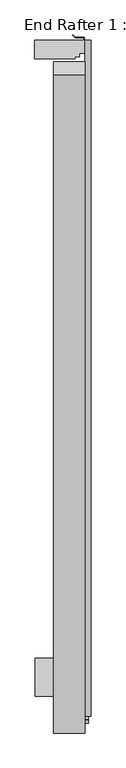
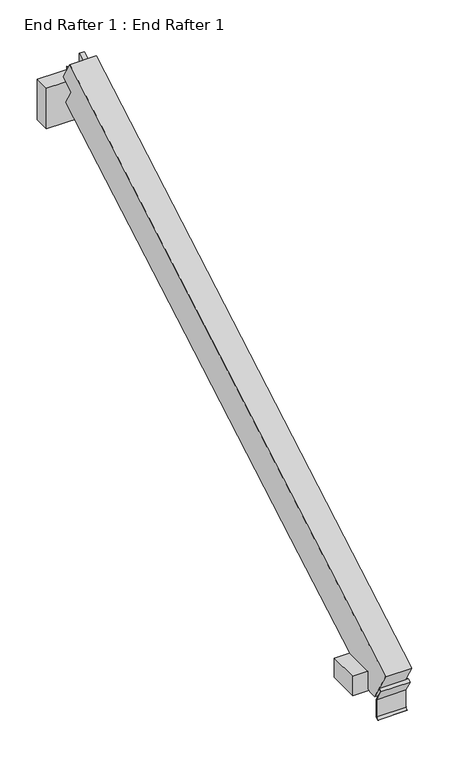
"""IFC4 building model written with IfcOpenShell, lengths in millimetres: proxy geometry, End Rafter 1 : End Rafter 1."""

from ifc_helpers import new_model, si_unit, frame, origin, place, context, project, spatial, polyline, outline, extrude, faceted_brep, source, transform, mapped, element, save


def end_rafter_1_end_rafter_1_6621b608(model_context):
    return source(origin(), model_context, "Body", "SolidModel", [
        extrude(outline(polyline([(522.8274159, 12100.4434206), (521.2399159, 12100.4434206), (521.2399159, 12113.9963379), (444.6430409, 12113.9963379), (435.6627847, 12122.976594), (436.7853168, 12124.099126), (445.3006049, 12115.5838379), (522.8274159, 12115.5838379), (522.8274159, 12100.4434206)])), frame((0.0, -14445.0258683, 0.0), z_axis=(0.0, 1.0, 0.0), x_axis=(0.0, 0.0, 1.0)), (0.0, 0.0, 1.0), 180.0877862),
        extrude(outline(polyline([(-14473.6651749, 577.004968), (-14484.6636975, 570.654968), (-14455.238276, 519.6886429), (-14455.238276, 444.4357266), (-14464.2185321, 435.4554705), (-14465.3410641, 436.5780025), (-14456.825776, 445.0932906), (-14456.825776, 519.2886736), (-14486.8212643, 571.2423834), (-14474.4589249, 578.3797834), (-14473.6651749, 577.004968)])), frame((11995.9020877, 0.0, 0.0), z_axis=(1.0, 0.0, 0.0), x_axis=(0.0, 1.0, 0.0)), (0.0, 0.0, 1.0), 119.5825314),
        faceted_brep([(12084.7339302, -12268.4917986, 1780.6647196), (12084.7339302, -12259.3421815, 1764.8171179), (11995.9020877, -12259.3421815, 1764.8171179), (11995.9020877, -12297.2770815, 1830.5222921), (12102.5305525, -12297.2770815, 1830.5222921), (12102.5305525, -12287.9178395, 1814.3116093), (12102.5305525, -12268.4917986, 1780.6647196), (12102.5305525, -14519.5119775, 656.4139595), (11995.9020877, -14519.5119775, 656.4139595), (11995.9020877, -14442.3857505, 522.8274159), (12084.7339302, -14442.3857505, 522.8274159), (12084.7339302, -14443.571792, 524.8816999), (12107.2129302, -14443.571792, 524.8816999), (12107.2129302, -14442.3857505, 522.8274159), (12123.0629078, -14442.3857505, 522.8274159), (12123.0629078, -14462.9978328, 558.5285896), (12102.5305525, -14462.9978328, 558.5285896), (12102.5305525, -12240.9206516, 1863.0596921), (12102.5305525, -12288.0755542, 1944.7343792), (12107.2129302, -14348.3407279, 551.4024159), (12123.0879302, -14348.3407279, 551.4024159), (12123.0729925, -14397.8340797, 522.8274159), (12107.2129302, -14397.8340797, 522.8274159), (12107.2129302, -14264.9380821, 599.5549559), (12107.2129302, -13849.8397399, 839.2120955), (12107.2129302, -13830.7897399, 850.2106181), (12107.2129302, -13805.3897399, 864.8753149), (12107.2129302, -13786.3397399, 875.8738376), (12107.2129302, -13166.2360585, 1233.8908649), (12107.2129302, -13147.1860585, 1244.8893875), (12107.2129302, -13121.7860585, 1259.5540844), (12107.2129302, -13102.7360585, 1270.552607), (12107.2129302, -12256.1678395, 1759.3189962), (12102.5305525, -12256.1678395, 1759.3189962), (12102.5305525, -12232.0264438, 1773.2570374), (12123.0632407, -12232.0264438, 1773.2570374), (12123.0879302, -14264.9380821, 599.5549559), (12107.2129302, -14394.8981092, 552.9834638), (12107.2129302, -14394.8981092, 551.4024159), (12107.2129302, -14264.9380821, 605.3774159), (12107.2129302, -14304.1491222, 605.3774159), (12107.2129302, -13830.7897399, 878.6715827), (12107.2129302, -13805.3897399, 893.3362795), (12107.2129302, -13147.1860585, 1273.3503521), (12107.2129302, -13121.7860585, 1288.0150489), (12107.2129302, -12268.4917986, 1780.6647196), (12084.7339302, -14394.8981092, 552.9834638), (12107.0474206, -14304.1491222, 605.3774159), (12107.0474206, -14328.8957981, 591.0899159), (12084.7339302, -14328.8957981, 591.0899159), (12084.7339302, -13830.7897399, 878.6715827), (12084.7339302, -13805.3897399, 893.3362795), (12084.7339302, -13147.1860585, 1273.3503521), (12084.7339302, -13121.7860585, 1288.0150489), (12084.7339302, -13110.6608585, 1273.3080505), (12084.7339302, -13121.7860585, 1266.8849133), (12084.7339302, -13147.1860585, 1252.2202165), (12084.7339302, -13158.3112585, 1245.7970793), (12084.7339302, -13794.2645399, 878.6292811), (12084.7339302, -13805.3897399, 872.2061439), (12084.7339302, -13830.7897399, 857.541447), (12084.7339302, -13841.9149399, 851.1183098), (12084.7339302, -14270.3222814, 603.7772159), (11995.9020877, -14270.3222814, 603.7772159), (11995.9020877, -13849.8397399, 846.5429244), (11995.9020877, -13786.3397399, 883.2046665), (11995.9020877, -13166.2360585, 1241.2216938), (11995.9020877, -13102.7360585, 1277.8834359), (11995.9020877, -14394.8981092, 531.8533281), (12084.7339302, -14394.8981092, 531.8533281), (12084.7339302, -14410.5314479, 522.8274159), (11995.9020877, -14410.5314479, 522.8274159), (11995.9020877, -14394.8981092, 603.7772159), (11995.9020877, -12288.0755542, 1944.7343792), (11995.9020877, -12240.9206516, 1863.0596921), (11932.3346407, -12232.0264438, 1830.5222921), (12069.6724407, -12232.0264438, 1830.5222921), (12069.6724407, -12224.1016438, 1830.5222921), (12084.7346407, -12224.1016438, 1830.5222921), (12084.7346407, -12212.9764438, 1830.5222921), (12102.5305525, -12212.9764438, 1830.5222921), (12102.5305525, -12168.5264438, 1830.5222921), (12101.8288407, -12168.5264438, 1830.5222921), (12101.8288407, -12159.0014438, 1830.5222921), (12070.7311442, -12159.0014438, 1830.5222921), (12062.2121364, -12150.482436, 1830.5222921), (12061.0985846, -12151.5959877, 1830.5222921), (12070.0788407, -12160.5762438, 1830.5222921), (12100.2540407, -12160.5762438, 1830.5222921), (12100.2540407, -12168.5264438, 1830.5222921), (11932.3346407, -12168.5264438, 1830.5222921), (11932.3346407, -12232.0264438, 1656.4443212), (11932.3346407, -12168.5264438, 1656.4443212), (12100.2540407, -12168.5264438, 1656.4443212), (12100.2540407, -12160.5762438, 1656.4443212), (12070.0788407, -12160.5762438, 1656.4443212), (12061.0985846, -12151.5959877, 1656.4443212), (12062.2121364, -12150.482436, 1656.4443212), (12070.7311442, -12159.0014438, 1656.4443212), (12101.8288407, -12159.0014438, 1656.4443212), (12101.8288407, -12168.5264438, 1656.4443212), (12123.0632407, -12168.5264438, 1656.4443212), (12123.0632407, -12232.0264438, 1656.4443212), (12107.2136407, -12232.0264438, 1656.4443212), (12107.2136407, -12212.9764438, 1656.4443212), (12084.7346407, -12212.9764438, 1656.4443212), (12084.7346407, -12224.1016438, 1656.4443212), (12069.6724407, -12224.1016438, 1656.4443212), (12069.6724407, -12232.0264438, 1656.4443212), (12107.2136407, -12212.9764438, 1758.981841), (12102.5305525, -12212.9764438, 1758.981841), (12107.2136407, -12232.0264438, 1758.981841), (12102.5305525, -12232.0264438, 1758.981841), (12102.5305525, -12168.5264438, 1883.2422637), (12123.0629078, -12168.5264438, 1883.2422637), (11933.9214302, -14394.8981092, 603.7772159), (11933.9214302, -14394.8981092, 521.2399159), (12100.6089302, -14394.8981092, 521.2399159), (12100.6089302, -14394.8981092, 551.4024159), (12123.0879302, -14264.9380821, 551.4024159), (12100.6089302, -14264.9380821, 551.4024159), (12100.6089302, -14264.9380821, 521.2399159), (11933.9214302, -14264.9380821, 521.2399159), (11933.9214302, -14264.9380821, 603.7772159), (12084.7339302, -14264.9380821, 603.7772159), (12084.7339302, -14264.9380821, 591.0899159), (12107.0474206, -14264.9380821, 591.0899159), (12107.0474206, -14264.9380821, 605.3774159)], [[[0, 1, 2, 3, 4, 5, 6]], [[7, 8, 9, 10, 11, 12, 13, 14, 15, 16]], [[7, 16, 5, 4, 17, 18]], [[19, 20, 21, 22]], [[23, 24, 25, 26, 27, 28, 29, 30, 31, 32, 33, 34, 35, 36]], [[12, 37, 38, 19, 22, 13]], [[32, 31, 30, 29, 28, 27, 26, 25, 24, 23, 39, 40, 41, 42, 43, 44, 45]], [[12, 11, 46, 37]], [[45, 44, 43, 42, 41, 40, 47, 48, 49, 50, 51, 52, 53, 0, 6]], [[2, 1, 54, 55, 56, 57, 58, 59, 60, 61, 62, 63, 64, 65, 66, 67]], [[68, 69, 70, 71]], [[2, 67, 66, 65, 64, 63, 72, 68, 71, 9, 8, 73, 74, 3]], [[8, 7, 18, 73]], [[75, 76, 77, 78, 79, 80, 81, 82, 83, 84, 85, 86, 87, 88, 89, 90]], [[91, 92, 93, 94, 95, 96, 97, 98, 99, 100, 101, 102, 103, 104, 105, 106, 107, 108]], [[76, 75, 91, 108]], [[77, 76, 108, 107]], [[78, 77, 107, 106]], [[79, 78, 106, 105]], [[105, 104, 109, 110, 80, 79]], [[104, 103, 111, 109]], [[103, 102, 35, 34, 112, 111]], [[101, 100, 82, 81, 113, 114]], [[83, 82, 100, 99]], [[84, 83, 99, 98]], [[85, 84, 98, 97]], [[86, 85, 97, 96]], [[87, 86, 96, 95]], [[88, 87, 95, 94]], [[89, 88, 94, 93]], [[90, 89, 93, 92]], [[75, 90, 92, 91]], [[17, 4, 3, 74]], [[73, 18, 17, 74]], [[111, 112, 110, 109]], [[115, 116, 117, 118, 38, 37, 46, 69, 68, 72]], [[119, 120, 121, 122, 123, 124, 125, 126, 127, 39, 23, 36]], [[127, 126, 48, 47]], [[126, 125, 49, 48]], [[125, 124, 62, 61, 60, 59, 58, 57, 56, 55, 54, 1, 0, 53, 52, 51, 50, 49]], [[46, 11, 10, 70, 69]], [[124, 123, 115, 72, 63, 62]], [[116, 115, 123, 122]], [[117, 116, 122, 121]], [[118, 117, 121, 120]], [[120, 119, 20, 19, 38, 118]], [[119, 36, 35, 102, 101, 114, 15, 14, 21, 20]], [[21, 14, 13, 22]], [[70, 10, 9, 71]], [[16, 15, 114, 113, 5]], [[5, 113, 81, 80, 110, 112, 34, 33, 6]], [[33, 32, 45, 6]], [[39, 127, 47, 40]]]),
    ])


if __name__ == "__main__":
    model = new_model("IFC4")
    model_context = context("Model", 3, world=origin())
    ifc_project = project(units=[si_unit("LENGTHUNIT", "METRE", prefix="MILLI")], contexts=[model_context])
    site = spatial("IfcSite", under=ifc_project)
    building = spatial("IfcBuilding", under=site)
    placement = place(None, origin())
    end_rafter_1_end_rafter_1_shape = end_rafter_1_end_rafter_1_6621b608(model_context)
    element("IfcBuildingElementProxy", 1, Name="End Rafter 1 : End Rafter 1", ObjectType="End Rafter 1 : End Rafter 1", at=placement, inside=building, context=model_context, shape_type="MappedRepresentation", body=[
        mapped(end_rafter_1_end_rafter_1_shape, transform((0.0, 0.0, 0.0), x_axis=(1.0, 0.0, 0.0), y_axis=(0.0, 1.0, 0.0), z_axis=(0.0, 0.0, 1.0))),
    ])
    save(model, "model.ifc")
